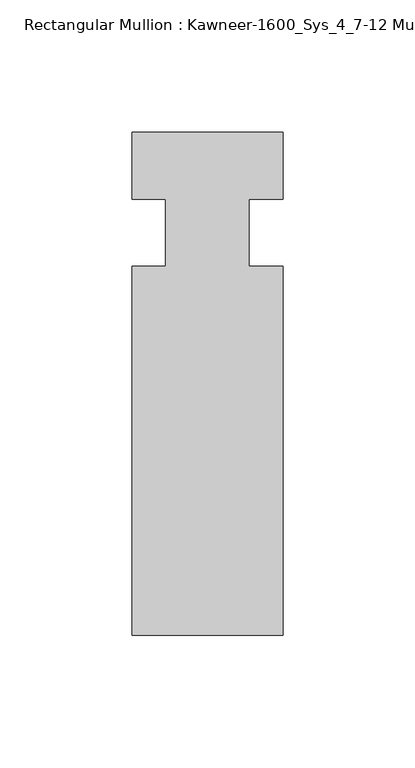
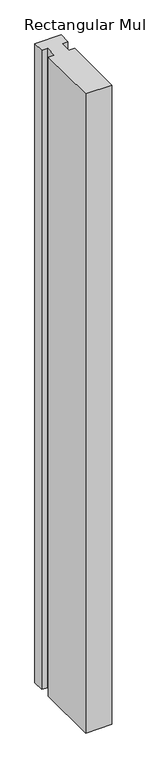
"""IFC4 building model written with IfcOpenShell, lengths in millimetres: member geometry, Rectangular Mullion : Kawneer-1600_Sys_4_7-12 Mullion_Horizontal."""

from ifc_helpers import new_model, si_unit, frame, origin, place, context, project, spatial, polyline, outline, extrude, source, transform, mapped, element, save


def rectangular_mullion_kawneer_1600_sys_4_7_12_mullion_6fe13961(model_context):
    return source(origin(), model_context, "Body", "SweptSolid", [
        extrude(outline(polyline([(32.9094027, -152.4), (-24.2405973, -152.4), (-24.2405973, -12.7), (-11.5405973, -12.7), (-11.5405973, 12.7), (-24.2405973, 12.7), (-24.2405973, 38.1), (32.9094027, 38.1), (32.9094027, 12.7), (20.2076322, 12.7), (20.2076322, -12.7), (32.9094027, -12.7), (32.9094027, -152.4)])), frame((0.0, 0.0, -1466.85), z_axis=(0.0, 0.0, 1.0), x_axis=(1.0, 0.0, 0.0)), (0.0, 0.0, 1.0), 1466.85),
    ])


if __name__ == "__main__":
    model = new_model("IFC4")
    model_context = context("Model", 3, world=origin())
    ifc_project = project(units=[si_unit("LENGTHUNIT", "METRE", prefix="MILLI")], contexts=[model_context])
    site = spatial("IfcSite", under=ifc_project)
    building = spatial("IfcBuilding", under=site)
    placement = place(None, origin())
    rectangular_mullion_kawneer_1600_sys_4_7_12_mullion_shape = rectangular_mullion_kawneer_1600_sys_4_7_12_mullion_6fe13961(model_context)
    element("IfcMember", 1, ObjectType="Rectangular Mullion : Kawneer-1600_Sys_4_7-12 Mullion_Horizontal", at=placement, inside=building, context=model_context, shape_type="MappedRepresentation", body=[
        mapped(rectangular_mullion_kawneer_1600_sys_4_7_12_mullion_shape, transform((0.0, 0.0, 0.0), x_axis=(1.0, 0.0, 0.0), y_axis=(0.0, 1.0, 0.0), z_axis=(0.0, 0.0, 1.0))),
    ])
    save(model, "model.ifc")
